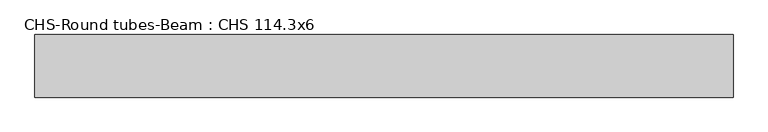
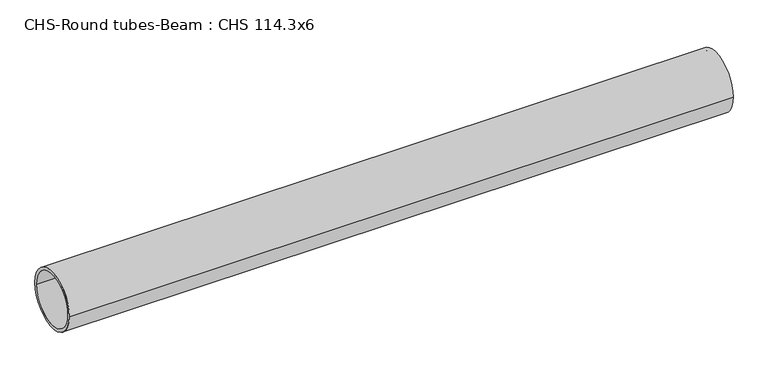
"""IFC4 building model written with IfcOpenShell, lengths in millimetres: beam geometry, CHS-Round tubes-Beam : CHS 114.3x6."""

from ifc_helpers import new_model, si_unit, point, frame, origin, origin_2d, place, context, project, spatial, circle_curve, trimmed, segment, composite_curve, outline, extrude, source, transform, mapped, element, save


def chs_round_tubes_beam_chs_114_3x6_bb86825e(model_context):
    return source(origin(), model_context, "Body", "SweptSolid", [
        extrude(outline(composite_curve([segment(trimmed(circle_curve(origin_2d(), 57.15), [point((57.15, 0.0))], [point((-57.15, 0.0))], False, "CARTESIAN"), True, "CONTINUOUS"), segment(trimmed(circle_curve(origin_2d(), 57.15), [point((-57.15, 0.0))], [point((57.15, 0.0))], False, "CARTESIAN"), True, "CONTINUOUS")], self_intersect=False), holes=[composite_curve([segment(trimmed(circle_curve(origin_2d(), 51.15), [point((51.15, 0.0))], [point((-51.15, 0.0))], True, "CARTESIAN"), True, "CONTINUOUS"), segment(trimmed(circle_curve(origin_2d(), 51.15), [point((-51.15, 0.0))], [point((51.15, 0.0))], True, "CARTESIAN"), True, "CONTINUOUS")], self_intersect=False)]), frame((-634.1449909, 0.0, 0.0), z_axis=(1.0, 0.0, 0.0), x_axis=(0.0, 1.0, 0.0)), (0.0, 0.0, 1.0), 1273.8546037),
    ])


if __name__ == "__main__":
    model = new_model("IFC4")
    model_context = context("Model", 3, world=origin())
    ifc_project = project(units=[si_unit("LENGTHUNIT", "METRE", prefix="MILLI")], contexts=[model_context])
    site = spatial("IfcSite", under=ifc_project)
    building = spatial("IfcBuilding", under=site)
    placement = place(None, origin())
    chs_round_tubes_beam_chs_114_3x6_shape = chs_round_tubes_beam_chs_114_3x6_bb86825e(model_context)
    element("IfcBeam", 1, ObjectType="CHS-Round tubes-Beam : CHS 114.3x6", at=placement, inside=building, context=model_context, shape_type="MappedRepresentation", body=[
        mapped(chs_round_tubes_beam_chs_114_3x6_shape, transform((0.0, 0.0, 0.0), x_axis=(1.0, 0.0, 0.0), y_axis=(0.0, 1.0, 0.0), z_axis=(0.0, 0.0, 1.0))),
    ])
    save(model, "model.ifc")
